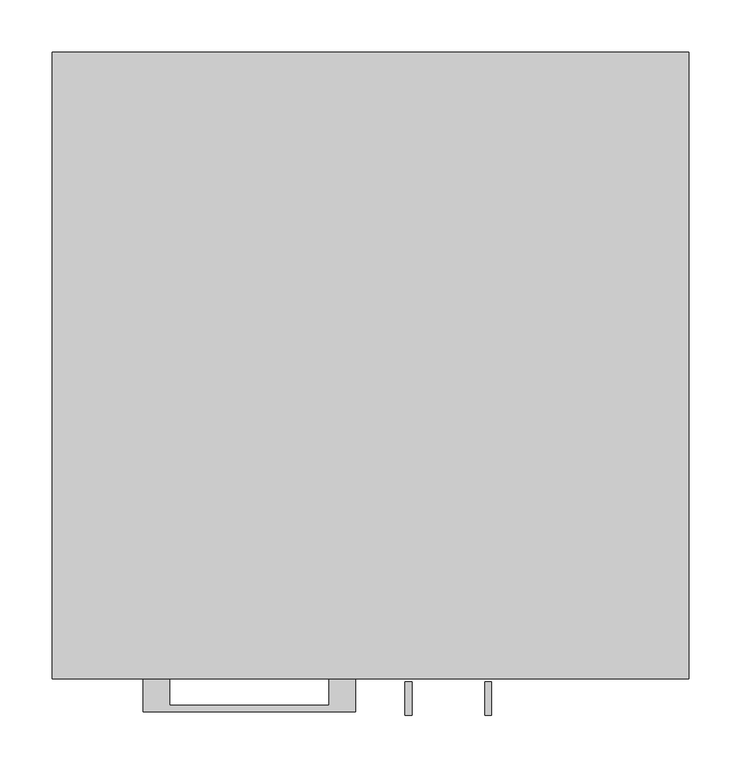
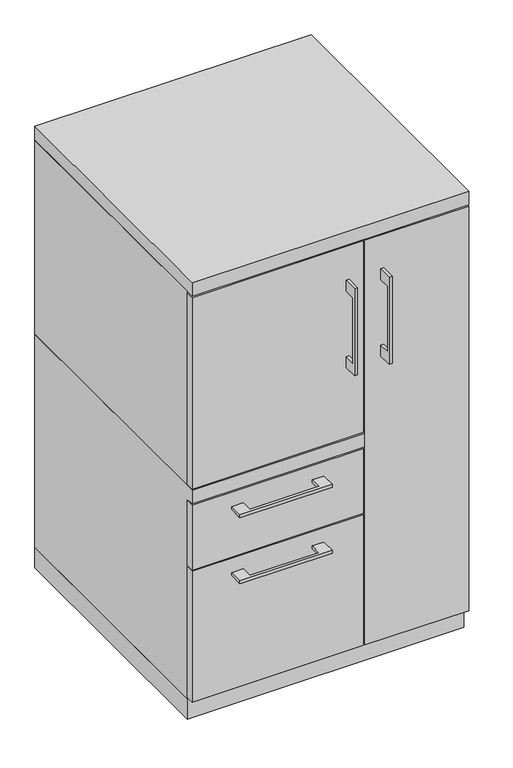
"""IFC4 building model written with IfcOpenShell, lengths in millimetres: furniture geometry."""

from ifc_helpers import new_model, si_unit, frame, origin, origin_with_axes, place, context, project, spatial, polyline, outline, extrude, faceted_brep, source, transform, mapped, element, save


def furniture_cc0698be(model_context):
    return source(origin(), model_context, "Body", "SolidModel", [
        extrude(outline(polyline([(-603.25, 892.175), (-628.6499758, 892.175), (-628.6499758, 739.775), (-603.25, 739.775), (-603.25, 714.375), (-634.9999879, 714.375), (-634.9999879, 917.575), (-603.25, 917.575), (-603.25, 892.175)])), frame((33.3375121, 0.0, 0.0), z_axis=(1.0, 0.0, 0.0), x_axis=(0.0, 1.0, 0.0)), (0.0, 0.0, 1.0), 6.3499758),
        extrude(outline(polyline([(-304.8, -600.075), (-304.8, -581.025), (73.025, -581.025), (73.025, -600.075), (-304.8, -600.075)])), frame((0.0, 0.0, 547.6875), z_axis=(0.0, 0.0, 1.0), x_axis=(1.0, 0.0, 0.0)), (0.0, 0.0, 1.0), 446.0875),
        extrude(outline(polyline([(-192.0874818, -600.075), (-192.0874818, -625.4749758), (-39.6875, -625.4749758), (-39.6875, -600.075), (-14.2875061, -600.075), (-14.2875061, -631.8249879), (-217.4874939, -631.8249879), (-217.4874939, -600.075), (-192.0874818, -600.075)])), frame((0.0, 0.0, 469.9000506), z_axis=(0.0, 0.0, 1.0), x_axis=(1.0, 0.0, 0.0)), (0.0, 0.0, 1.0), 6.3499758),
        extrude(outline(polyline([(73.025, -581.025), (73.025, -600.075), (-304.8, -600.075), (-304.8, -581.025), (73.025, -581.025)])), frame((0.0, 0.0, 358.775), z_axis=(0.0, 0.0, 1.0), x_axis=(1.0, 0.0, 0.0)), (0.0, 0.0, 1.0), 150.8125),
        extrude(outline(polyline([(-603.25, 892.175), (-628.6499758, 892.175), (-628.6499758, 739.775), (-603.25, 739.775), (-603.25, 714.375), (-634.9999879, 714.375), (-634.9999879, 917.575), (-603.25, 917.575), (-603.25, 892.175)])), frame((109.5375121, 0.0, 0.0), z_axis=(1.0, 0.0, 0.0), x_axis=(0.0, 1.0, 0.0)), (0.0, 0.0, 1.0), 6.3499758),
        extrude(outline(polyline([(304.8, -600.075), (76.2, -600.075), (76.2, -581.025), (304.8, -581.025), (304.8, -600.075)])), frame((0.0, 0.0, 50.8), z_axis=(0.0, 0.0, 1.0), x_axis=(1.0, 0.0, 0.0)), (0.0, 0.0, 1.0), 942.975),
        extrude(outline(polyline([(-192.0874818, -600.075), (-192.0874818, -625.4749758), (-39.6875, -625.4749758), (-39.6875, -600.075), (-14.2875061, -600.075), (-14.2875061, -631.8249879), (-217.4874939, -631.8249879), (-217.4874939, -600.075), (-192.0874818, -600.075)])), frame((0.0, 0.0, 315.9125506), z_axis=(0.0, 0.0, 1.0), x_axis=(1.0, 0.0, 0.0)), (0.0, 0.0, 1.0), 6.3499758),
        extrude(outline(polyline([(73.025, -581.025), (73.025, -600.075), (-304.8, -600.075), (-304.8, -581.025), (73.025, -581.025)])), frame((0.0, 0.0, 50.8), z_axis=(0.0, 0.0, 1.0), x_axis=(1.0, 0.0, 0.0)), (0.0, 0.0, 1.0), 304.8),
        faceted_brep([(-304.8, -581.025, 47.625), (-304.8, 0.0, 47.625), (76.2, 0.0, 47.625), (76.2, -581.025, 47.625), (-304.8, 0.0, 544.5125), (76.2, 0.0, 544.5125), (-304.8, -581.025, 512.7625), (-304.8, -600.075, 512.7625), (-304.8, -600.075, 544.5125), (76.2, -581.025, 512.7625), (57.15, -581.025, 512.7625), (76.2, -581.025, 996.95), (57.15, -581.025, 996.95), (57.15, -581.025, 544.5125), (76.2, -581.025, 544.5125), (76.2, -19.05, 544.5125), (76.2, -19.05, 996.95), (76.2, -600.075, 544.5125), (76.2, -600.075, 512.7625), (57.15, -19.05, 996.95), (57.15, -19.05, 544.5125)], [[[0, 1, 2, 3]], [[2, 1, 4, 5]], [[4, 1, 0, 6, 7, 8]], [[6, 0, 3, 9, 10]], [[11, 12, 13, 14]], [[2, 5, 15, 16, 11, 14, 17, 18, 9, 3]], [[16, 19, 12, 11]], [[19, 16, 15, 20]], [[12, 19, 20, 13]], [[5, 4, 8, 17, 14, 13, 20, 15]], [[18, 7, 6, 10, 9]], [[17, 8, 7, 18]]]),
        extrude(outline(polyline([(76.2, 0.0), (76.2, -19.05), (-285.75, -19.05), (-285.75, -581.025), (-304.8, -581.025), (-304.8, 0.0), (76.2, 0.0)])), frame((0.0, 0.0, 544.5125), z_axis=(0.0, 0.0, 1.0), x_axis=(1.0, 0.0, 0.0)), (0.0, 0.0, 1.0), 452.4375),
        extrude(outline(polyline([(304.8, 0.0), (304.8, -581.025), (285.75, -581.025), (285.75, -19.05), (76.2, -19.05), (76.2, 0.0), (304.8, 0.0)])), frame((0.0, 0.0, 47.625), z_axis=(0.0, 0.0, 1.0), x_axis=(1.0, 0.0, 0.0)), (0.0, 0.0, 1.0), 949.325),
        extrude(outline(polyline([(304.8, 0.0), (304.8, -600.075), (-304.8, -600.075), (-304.8, 0.0), (304.8, 0.0)])), frame((0.0, 0.0, 996.95), z_axis=(0.0, 0.0, 1.0), x_axis=(1.0, 0.0, 0.0)), (0.0, 0.0, 1.0), 31.75),
        extrude(outline(polyline([(304.8, 0.0), (304.8, -581.025), (-304.8, -581.025), (-304.8, 0.0), (304.8, 0.0)])), origin_with_axes(), (0.0, 0.0, 1.0), 47.625),
    ])


if __name__ == "__main__":
    model = new_model("IFC4")
    model_context = context("Model", 3, world=origin())
    ifc_project = project(units=[si_unit("LENGTHUNIT", "METRE", prefix="MILLI")], contexts=[model_context])
    site = spatial("IfcSite", under=ifc_project)
    building = spatial("IfcBuilding", under=site)
    placement = place(None, origin())
    furniture_shape = furniture_cc0698be(model_context)
    element("IfcFurniture", 1, at=placement, inside=building, context=model_context, shape_type="MappedRepresentation", body=[
        mapped(furniture_shape, transform((0.0, 0.0, 0.0), x_axis=(1.0, 0.0, 0.0), y_axis=(0.0, 1.0, 0.0), z_axis=(0.0, 0.0, 1.0))),
    ])
    save(model, "model.ifc")
